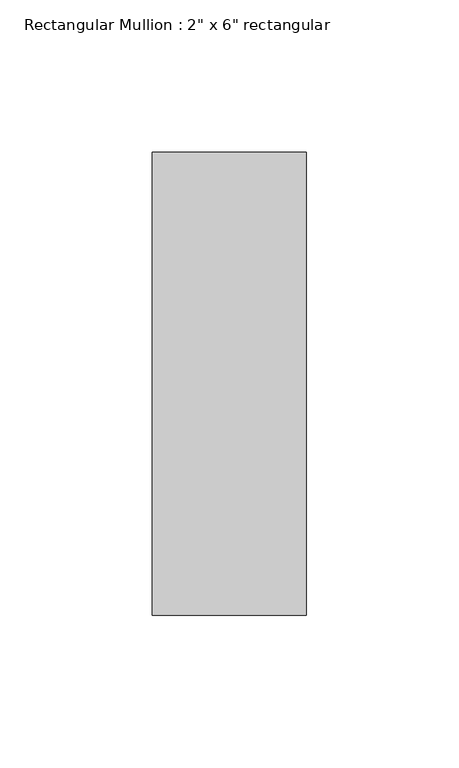
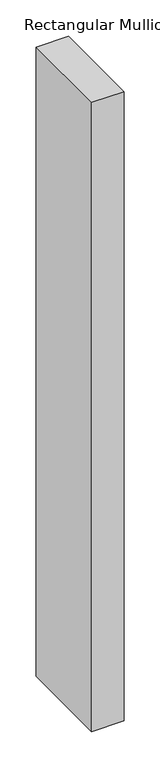
"""IFC4 building model written with IfcOpenShell, lengths in millimetres: member geometry."""

from ifc_helpers import new_model, si_unit, frame, origin, place, context, project, spatial, polyline, outline, extrude, source, transform, mapped, element, save


def member_fb36247f(model_context):
    return source(origin(), model_context, "Body", "SweptSolid", [
        extrude(outline(polyline([(25.4, 76.2), (25.4, -76.2), (-25.4, -76.2), (-25.4, 76.2), (25.4, 76.2)])), frame((0.0, 0.0, -1054.1), z_axis=(0.0, 0.0, 1.0), x_axis=(1.0, 0.0, 0.0)), (0.0, 0.0, 1.0), 1054.1),
    ])


if __name__ == "__main__":
    model = new_model("IFC4")
    model_context = context("Model", 3, world=origin())
    ifc_project = project(units=[si_unit("LENGTHUNIT", "METRE", prefix="MILLI")], contexts=[model_context])
    site = spatial("IfcSite", under=ifc_project)
    building = spatial("IfcBuilding", under=site)
    placement = place(None, origin())
    member_shape = member_fb36247f(model_context)
    element("IfcMember", 1, ObjectType="Rectangular Mullion : 2\" x 6\" rectangular", at=placement, inside=building, context=model_context, shape_type="MappedRepresentation", body=[
        mapped(member_shape, transform((0.0, 0.0, 0.0), x_axis=(1.0, 0.0, 0.0), y_axis=(0.0, 1.0, 0.0), z_axis=(0.0, 0.0, 1.0))),
    ])
    save(model, "model.ifc")
